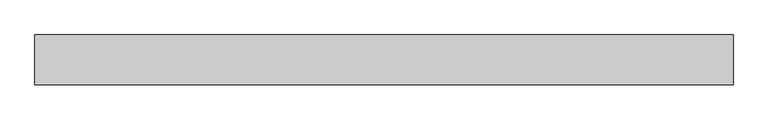
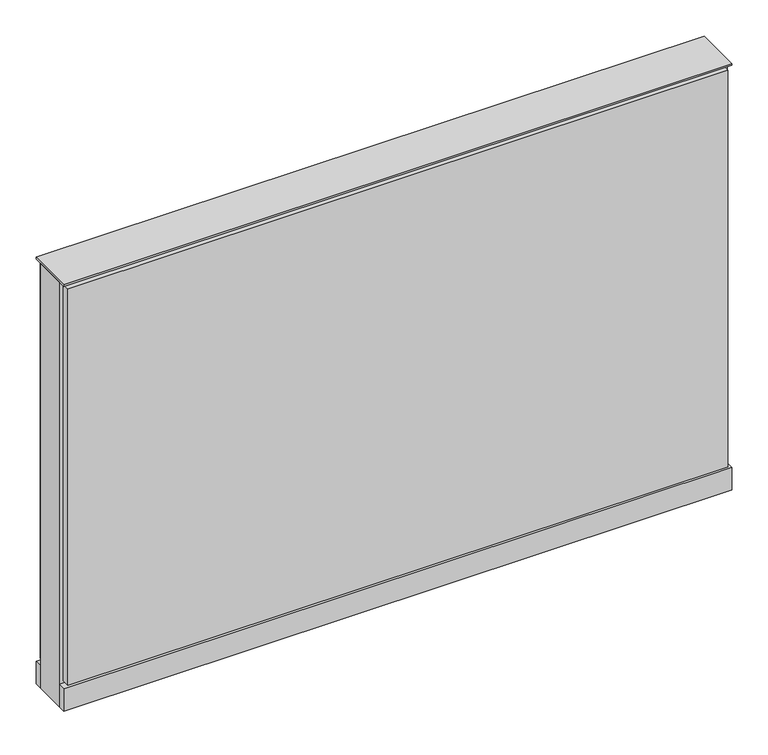
"""IFC4 building model written with IfcOpenShell, lengths in millimetres: furniture geometry."""

from ifc_helpers import new_model, si_unit, point, frame, frame_2d, origin, origin_with_axes, place, context, project, spatial, polyline, circle_curve, trimmed, segment, composite_curve, outline, extrude, source, transform, mapped, element, save


def furniture_2bbedf73(model_context):
    return source(origin(), model_context, "Body", "SweptSolid", [
        extrude(outline(composite_curve([segment(trimmed(circle_curve(frame_2d((459.6402902, 0.0)), 12.7), [point((446.9402902, 0.0))], [point((472.3402902, 0.0))], False, "CARTESIAN"), True, "CONTINUOUS"), segment(trimmed(circle_curve(frame_2d((459.6402902, 0.0)), 12.7), [point((472.3402902, 0.0))], [point((446.9402902, 0.0))], False, "CARTESIAN"), True, "CONTINUOUS")], self_intersect=False)), origin_with_axes(), (0.0, 0.0, 1.0), 12.7),
        extrude(outline(composite_curve([segment(trimmed(circle_curve(frame_2d((-454.7597098, 0.0)), 12.7), [point((-467.4597098, 0.0))], [point((-442.0597098, 0.0))], False, "CARTESIAN"), True, "CONTINUOUS"), segment(trimmed(circle_curve(frame_2d((-454.7597098, 0.0)), 12.7), [point((-442.0597098, 0.0))], [point((-467.4597098, 0.0))], False, "CARTESIAN"), True, "CONTINUOUS")], self_intersect=False)), origin_with_axes(), (0.0, 0.0, 1.0), 12.7),
        extrude(outline(polyline([(529.4902902, 38.1), (529.4902902, 25.4), (-524.6097098, 25.4), (-524.6097098, 38.1), (529.4902902, 38.1)])), frame((0.0, 0.0, 53.975), z_axis=(0.0, 0.0, 1.0), x_axis=(1.0, 0.0, 0.0)), (0.0, 0.0, 1.0), 669.925),
        extrude(outline(polyline([(529.4902902, -38.1), (-524.6097098, -38.1), (-524.6097098, -25.4), (529.4902902, -25.4), (529.4902902, -38.1)])), frame((0.0, 0.0, 53.975), z_axis=(0.0, 0.0, 1.0), x_axis=(1.0, 0.0, 0.0)), (0.0, 0.0, 1.0), 669.925),
        extrude(outline(polyline([(535.8402902, 25.4), (535.8402902, -25.4), (-530.9597098, -25.4), (-530.9597098, 25.4), (535.8402902, 25.4)])), frame((0.0, 0.0, 12.7), z_axis=(0.0, 0.0, 1.0), x_axis=(1.0, 0.0, 0.0)), (0.0, 0.0, 1.0), 717.55),
        extrude(outline(polyline([(-530.9597098, -38.1), (-530.9597098, 38.1), (535.8402902, 38.1), (535.8402902, -38.1), (-530.9597098, -38.1)])), frame((0.0, 0.0, 12.7), z_axis=(0.0, 0.0, 1.0), x_axis=(1.0, 0.0, 0.0)), (0.0, 0.0, 1.0), 38.1),
        extrude(outline(polyline([(-530.9597098, -38.1), (-530.9597098, 38.1), (535.8402902, 38.1), (535.8402902, -38.1), (-530.9597098, -38.1)])), frame((0.0, 0.0, 730.25), z_axis=(0.0, 0.0, 1.0), x_axis=(1.0, 0.0, 0.0)), (0.0, 0.0, 1.0), 3.175),
    ])


if __name__ == "__main__":
    model = new_model("IFC4")
    model_context = context("Model", 3, world=origin())
    ifc_project = project(units=[si_unit("LENGTHUNIT", "METRE", prefix="MILLI")], contexts=[model_context])
    site = spatial("IfcSite", under=ifc_project)
    building = spatial("IfcBuilding", under=site)
    placement = place(None, origin())
    furniture_shape = furniture_2bbedf73(model_context)
    element("IfcFurniture", 1, at=placement, inside=building, context=model_context, shape_type="MappedRepresentation", body=[
        mapped(furniture_shape, transform((0.0, 0.0, 0.0), x_axis=(1.0, 0.0, 0.0), y_axis=(0.0, 1.0, 0.0), z_axis=(0.0, 0.0, 1.0))),
    ])
    save(model, "model.ifc")
